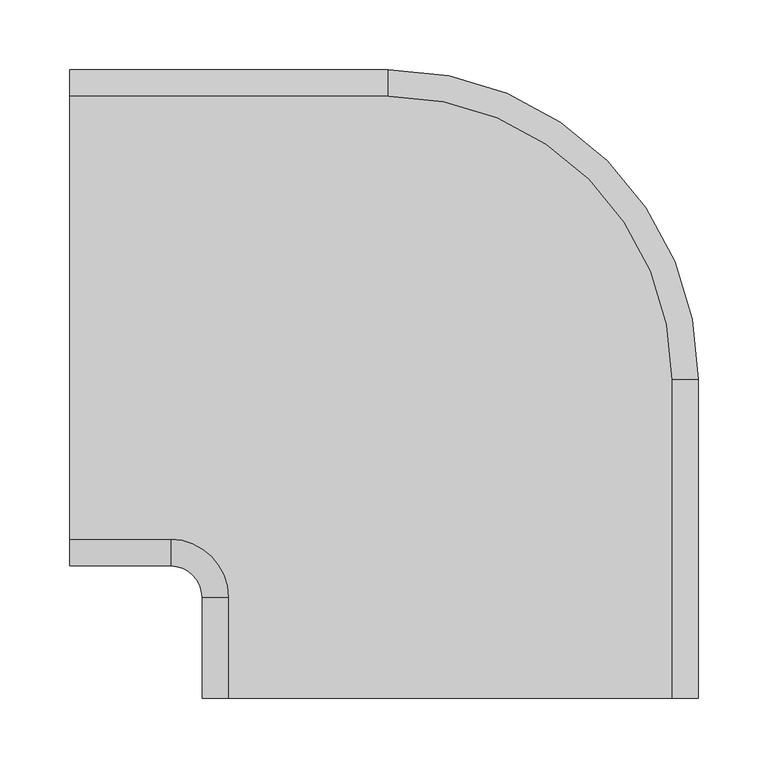
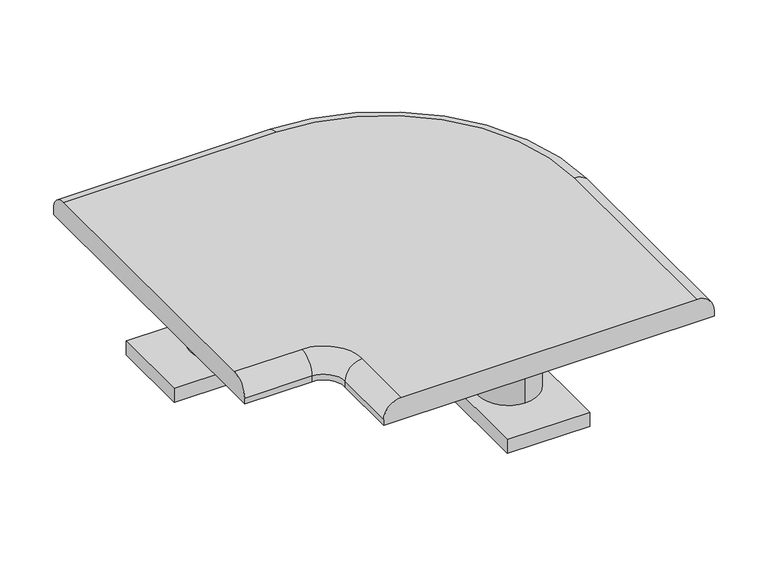
"""IFC4 building model written with IfcOpenShell, lengths in millimetres: furniture geometry."""

from ifc_helpers import new_model, si_unit, point, frame, frame_2d, origin, place, context, project, spatial, polyline, circle_curve, ellipse_curve, trimmed, segment, composite_curve, outline, extrude, source, transform, mapped, element, save
from ifc_brep_helpers import plane_surface, cylinder_surface, revolved_surface, advanced_brep


def furniture_3abff1e1(model_context):
    return source(origin(), model_context, "Body", "SolidModel", [
        extrude(outline(composite_curve([segment(trimmed(circle_curve(frame_2d((-435.3971981, 798.5125062)), 31.75), [point((-435.3971981, 766.7625062))], [point((-435.3971981, 830.2625062))], False, "CARTESIAN"), True, "CONTINUOUS"), segment(trimmed(circle_curve(frame_2d((-435.3971981, 798.5125062)), 31.75), [point((-435.3971981, 830.2625062))], [point((-435.3971981, 766.7625062))], False, "CARTESIAN"), True, "CONTINUOUS")], self_intersect=False)), frame((0.0, 0.0, 993.7749996), z_axis=(0.0, 0.0, 1.0), x_axis=(1.0, 0.0, 0.0)), (0.0, 0.0, 1.0), 63.4999974),
        extrude(outline(polyline([(-390.9471981, 842.9625062), (-390.9471981, 723.9101662), (-479.8471981, 723.9101662), (-479.8471981, 842.9625062), (-390.9471981, 842.9625062)])), frame((0.0, 0.0, 977.9), z_axis=(0.0, 0.0, 1.0), x_axis=(1.0, 0.0, 0.0)), (0.0, 0.0, 1.0), 15.8749996),
        advanced_brep(
        [(-276.6471981, 722.7671662, 1082.675), (-276.6471981, 950.9353662, 1082.675), (-479.8471981, 1154.1353662, 1082.675), (-708.0153981, 1154.1353662, 1082.675), (-708.0153981, 836.6353662, 1082.675), (-635.5491981, 836.6353662, 1082.675), (-594.1471981, 795.2333662, 1082.675), (-594.1471981, 722.7671662, 1082.675), (-479.8471981, 1173.1853662, 1057.274997), (-257.5971981, 950.9353662, 1057.274997), (-257.5971981, 722.7671662, 1057.274997), (-613.1971981, 722.7671662, 1057.274997), (-613.1971981, 795.2333662, 1057.274997), (-635.5491981, 817.5853662, 1057.274997), (-708.0153981, 817.5853662, 1057.274997), (-708.0153981, 1173.1853662, 1057.274997), (-708.0153981, 1173.1853662, 1063.625), (-479.8471981, 1173.1853662, 1063.625), (-635.5491981, 817.5853662, 1063.625), (-708.0153981, 817.5853662, 1063.625), (-613.1971981, 795.2333662, 1063.6250002), (-613.1971981, 722.7671662, 1063.625), (-257.5971981, 722.7671662, 1063.625), (-257.5971981, 950.9353662, 1063.625)],
        [
            (0, 1),
            (1, 2, circle_curve(frame((-479.8471981, 950.9353662, 1082.675), z_axis=(0.0, 0.0, 1.0), x_axis=(1.0, 0.0, 0.0)), 203.2)),
            (2, 3),
            (3, 4),
            (4, 5),
            (5, 6, circle_curve(frame((-635.5491981, 795.2333662, 1082.675), z_axis=(0.0, 0.0, -1.0), x_axis=(0.0, 1.0, 0.0)), 41.402)),
            (6, 7),
            (7, 0),
            (8, 9, circle_curve(frame((-479.8471981, 950.9353662, 1057.274997), z_axis=(0.0, 0.0, -1.0), x_axis=(0.0, 1.0, 0.0)), 222.25)),
            (9, 10),
            (10, 11),
            (11, 12),
            (12, 13, circle_curve(frame((-635.5491981, 795.2333662, 1057.274997), z_axis=(0.0, 0.0, 1.0), x_axis=(0.0, 1.0, 0.0)), 22.352)),
            (13, 14),
            (14, 15),
            (15, 8),
            (15, 16),
            (16, 17),
            (17, 8),
            (13, 18),
            (18, 19),
            (19, 14),
            (12, 20),
            (20, 18, circle_curve(frame((-635.5491981, 795.2333662, 1063.625), z_axis=(0.0, 0.0, 1.0), x_axis=(0.0, 1.0, 0.0)), 22.352)),
            (11, 21),
            (21, 20),
            (10, 22),
            (22, 0, circle_curve(frame((-276.6471981, 722.7671662, 1063.625), z_axis=(0.0, -1.0, 0.0), x_axis=(-1.0, 0.0, 0.0)), 19.05)),
            (7, 21, circle_curve(frame((-594.1471981, 722.7671662, 1063.625), z_axis=(0.0, -1.0, 0.0), x_axis=(1.0, 0.0, 0.0)), 19.05)),
            (9, 23),
            (23, 22),
            (17, 23, circle_curve(frame((-479.8471981, 950.9353662, 1063.625), z_axis=(0.0, 0.0, -1.0), x_axis=(0.0, 1.0, 0.0)), 222.25)),
            (23, 1, circle_curve(frame((-276.6471981, 950.9353662, 1063.625), z_axis=(0.0, -1.0, 0.0), x_axis=(-1.0, 0.0, 0.0)), 19.05)),
            (17, 2, circle_curve(frame((-479.8471981, 1154.1353662, 1063.625), z_axis=(1.0, 0.0, 0.0), x_axis=(0.0, -1.0, 0.0)), 19.05)),
            (16, 3, circle_curve(frame((-708.0153981, 1154.1353662, 1063.625), z_axis=(1.0, 0.0, 0.0), x_axis=(0.0, -1.0, 0.0)), 19.05)),
            (19, 4, circle_curve(frame((-708.0153981, 836.6353662, 1063.625), z_axis=(-1.0, 0.0, 0.0), x_axis=(0.0, 1.0, 0.0)), 19.05)),
            (18, 5, circle_curve(frame((-635.5491981, 836.6353662, 1063.625), z_axis=(-1.0, 0.0, 0.0), x_axis=(0.0, 1.0, 0.0)), 19.05)),
            (20, 6, circle_curve(frame((-594.1471981, 795.2333662, 1063.625), z_axis=(0.0, 1.0, 0.0), x_axis=(1.0, 0.0, 0.0)), 19.05)),
        ],
        [
            plane_surface(frame((-708.0153981, 1173.1853662, 1082.675), z_axis=(0.0, 0.0, 1.0), x_axis=(-1.0, 0.0, 0.0))),
            plane_surface(frame((-708.0153981, 1173.1853662, 1057.274997), z_axis=(0.0, 0.0, -1.0), x_axis=(1.0, 0.0, 0.0))),
            plane_surface(frame((-479.8471981, 1173.1853662, 1082.675), z_axis=(0.0, 1.0, 0.0), x_axis=(0.0, 0.0, -1.0))),
            plane_surface(frame((-708.0153981, 817.5853662, 1082.675), z_axis=(0.0, -1.0, 0.0), x_axis=(0.0, 0.0, -1.0))),
            revolved_surface(polyline([(-635.5491981, 817.5853662, 1057.274997), (-635.5491981, 817.5853662, 1063.6250002)]), (-635.5491981, 795.2333662, 1057.274997), (0.0, 0.0, -1.0)),
            plane_surface(frame((-613.1971981, 795.2333662, 1082.675), z_axis=(-1.0, 0.0, 0.0), x_axis=(0.0, 0.0, -1.0))),
            plane_surface(frame((-613.1971981, 722.7671662, 1082.675), z_axis=(0.0, -1.0, 0.0), x_axis=(0.0, 0.0, -1.0))),
            plane_surface(frame((-257.5971981, 722.7671662, 1082.675), z_axis=(1.0, 0.0, 0.0), x_axis=(0.0, 0.0, -1.0))),
            cylinder_surface(frame((-479.8471981, 950.9353662, 1057.274997), z_axis=(0.0, 0.0, 1.0), x_axis=(0.0, 1.0, 0.0)), 222.25),
            cylinder_surface(frame((-276.6471981, 722.7671662, 1063.625), z_axis=(0.0, 1.0, 0.0), x_axis=(-1.0, 0.0, 0.0)), 19.05),
            revolved_surface(trimmed(ellipse_curve(frame((-276.6471981, 950.9353662, 1063.625), z_axis=(0.0, -1.0, 0.0), x_axis=(-1.0, 0.0, 0.0)), 19.05, 19.05), [point((-257.5971981, 950.9353662, 1063.625))], [point((-276.6471981, 950.9353662, 1082.675))], True, "CARTESIAN"), (-479.8471981, 950.9353662, 1082.675), (0.0, 0.0, 1.0)),
            cylinder_surface(frame((-479.8471981, 1154.1353662, 1063.625), z_axis=(-1.0, 0.0, 0.0), x_axis=(0.0, -1.0, 0.0)), 19.05),
            plane_surface(frame((-708.0153981, 1173.1853662, 1082.675), z_axis=(-1.0, 0.0, 0.0), x_axis=(0.0, 0.0, -1.0))),
            cylinder_surface(frame((-708.0153981, 836.6353662, 1063.625), z_axis=(1.0, 0.0, 0.0), x_axis=(0.0, 1.0, 0.0)), 19.05),
            revolved_surface(trimmed(ellipse_curve(frame((-635.5491981, 836.6353662, 1063.625), z_axis=(-1.0, 0.0, 0.0), x_axis=(0.0, 1.0, 0.0)), 19.05, 19.05), [point((-635.5491981, 817.5853662, 1063.625))], [point((-635.5491981, 836.6353662, 1082.675))], True, "CARTESIAN"), (-635.5491981, 795.2333662, 1082.675), (0.0, 0.0, -1.0)),
            cylinder_surface(frame((-594.1471981, 795.2333662, 1063.625), z_axis=(0.0, -1.0, 0.0), x_axis=(1.0, 0.0, 0.0)), 19.05),
        ],
        [
            (0, [[1, 2, 3, 4, 5, 6, 7, 8]]),
            (1, [[9, 10, 11, 12, 13, 14, 15, 16]]),
            (2, [[-16, 17, 18, 19]]),
            (3, [[-14, 20, 21, 22]]),
            (4, [[-13, 23, 24, -20]]),
            (5, [[-12, 25, 26, -23]]),
            (6, [[-11, 27, 28, -8, 29, -25]]),
            (7, [[-10, 30, 31, -27]]),
            (8, [[-9, -19, 32, -30]]),
            (9, [[33, -1, -28, -31]]),
            (10, [[-33, -32, 34, -2]]),
            (11, [[-34, -18, 35, -3]]),
            (12, [[-15, -22, 36, -4, -35, -17]]),
            (13, [[37, -5, -36, -21]]),
            (14, [[-37, -24, 38, -6]]),
            (15, [[-38, -26, -29, -7]]),
        ],
    ),
        extrude(outline(composite_curve([segment(trimmed(circle_curve(frame_2d((-632.2471981, 995.3853662)), 31.75), [point((-632.2471981, 963.6353662))], [point((-632.2471981, 1027.1353662))], False, "CARTESIAN"), True, "CONTINUOUS"), segment(trimmed(circle_curve(frame_2d((-632.2471981, 995.3853662)), 31.75), [point((-632.2471981, 1027.1353662))], [point((-632.2471981, 963.6353662))], False, "CARTESIAN"), True, "CONTINUOUS")], self_intersect=False)), frame((0.0, 0.0, 993.7749996), z_axis=(0.0, 0.0, 1.0), x_axis=(1.0, 0.0, 0.0)), (0.0, 0.0, 1.0), 63.4999974),
        extrude(outline(polyline([(-587.7971981, 1039.8353662), (-587.7971981, 950.9353693), (-706.8825581, 950.9353693), (-706.8825581, 1039.8353662), (-587.7971981, 1039.8353662)])), frame((0.0, 0.0, 977.9), z_axis=(0.0, 0.0, 1.0), x_axis=(1.0, 0.0, 0.0)), (0.0, 0.0, 1.0), 15.8749996),
    ])


if __name__ == "__main__":
    model = new_model("IFC4")
    model_context = context("Model", 3, world=origin())
    ifc_project = project(units=[si_unit("LENGTHUNIT", "METRE", prefix="MILLI")], contexts=[model_context])
    site = spatial("IfcSite", under=ifc_project)
    building = spatial("IfcBuilding", under=site)
    placement = place(None, origin())
    furniture_shape = furniture_3abff1e1(model_context)
    element("IfcFurniture", 1, at=placement, inside=building, context=model_context, shape_type="MappedRepresentation", body=[
        mapped(furniture_shape, transform((0.0, 0.0, 0.0), x_axis=(1.0, 0.0, 0.0), y_axis=(0.0, 1.0, 0.0), z_axis=(0.0, 0.0, 1.0))),
    ])
    save(model, "model.ifc")
